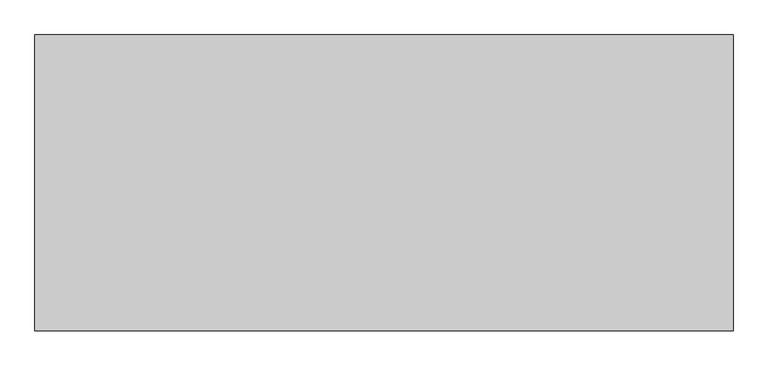
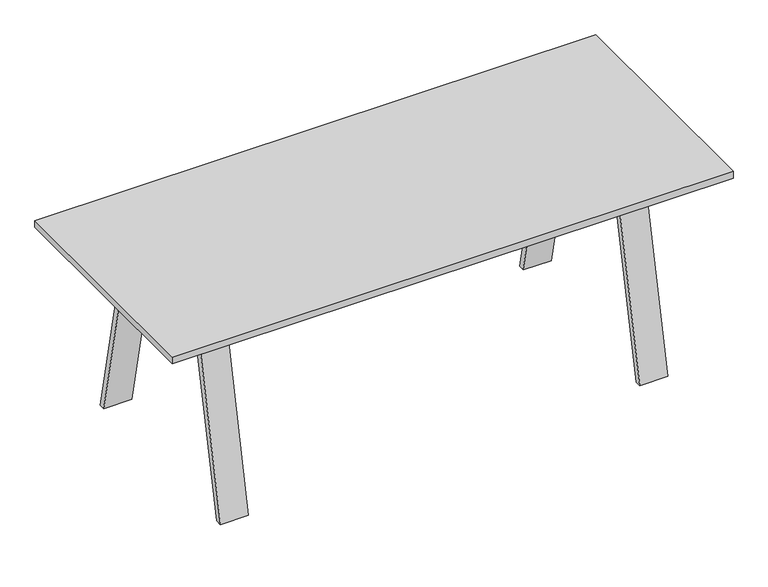
"""IFC4 building model written with IfcOpenShell, lengths in millimetres: furniture geometry."""

from ifc_helpers import new_model, si_unit, frame, origin, place, context, project, spatial, polyline, outline, extrude, source, transform, mapped, element, save


def furniture_2a127dba(model_context):
    return source(origin(), model_context, "Body", "SweptSolid", [
        extrude(outline(polyline([(1003.3, 421.4200592), (1003.3, -429.4799408), (-1003.3, -429.4799408), (-1003.3, 421.4200592), (1003.3, 421.4200592)])), frame((0.0, 0.0, 711.2), z_axis=(0.0, 0.0, 1.0), x_axis=(1.0, 0.0, 0.0)), (0.0, 0.0, 1.0), 25.4),
        extrude(outline(polyline([(720.0800781, 25.9837311), (720.0800781, -34.0436127), (-720.0800781, -34.0436127), (-720.0800781, 25.9837311), (720.0800781, 25.9837311)])), frame((0.0, 0.0, 630.7335938), z_axis=(0.0, 0.0, 1.0), x_axis=(1.0, 0.0, 0.0)), (0.0, 0.0, 1.0), 80.4664062),
        extrude(outline(polyline([(-202.9569134, 711.2), (194.8970319, 711.2), (212.0006945, 630.7335937), (-220.0605761, 630.7335937), (-202.9569134, 711.2)])), frame((720.0800781, 0.0, 0.0), z_axis=(1.0, 0.0, 0.0), x_axis=(0.0, 1.0, 0.0)), (0.0, 0.0, 1.0), 60.0273437),
        extrude(outline(polyline([(-202.9569134, 711.2), (-354.1271401, 0.0), (-376.6186089, 0.0), (-225.4483823, 711.2), (-202.9569134, 711.2)])), frame((700.0875, 0.0, 0.0), z_axis=(1.0, 0.0, 0.0), x_axis=(0.0, 1.0, 0.0)), (0.0, 0.0, 1.0), 100.0125),
        extrude(outline(polyline([(194.8970319, 711.2), (217.3885007, 711.2), (368.5587274, 0.0), (346.0672585, 0.0), (194.8970319, 711.2)])), frame((700.0875, 0.0, 0.0), z_axis=(1.0, 0.0, 0.0), x_axis=(0.0, 1.0, 0.0)), (0.0, 0.0, 1.0), 100.0125),
        extrude(outline(polyline([(-202.9569134, 711.2), (194.8970319, 711.2), (212.0006945, 630.7335938), (-220.0605761, 630.7335938), (-202.9569134, 711.2)])), frame((-780.1074219, 0.0, 0.0), z_axis=(1.0, 0.0, 0.0), x_axis=(0.0, 1.0, 0.0)), (0.0, 0.0, 1.0), 60.0273437),
        extrude(outline(polyline([(-202.9569134, 711.2), (-354.1271401, 0.0), (-376.6186089, 0.0), (-225.4483823, 711.2), (-202.9569134, 711.2)])), frame((-800.1, 0.0, 0.0), z_axis=(1.0, 0.0, 0.0), x_axis=(0.0, 1.0, 0.0)), (0.0, 0.0, 1.0), 100.0125),
        extrude(outline(polyline([(194.8970319, 711.2), (217.3885007, 711.2), (368.5587274, 0.0), (346.0672585, 0.0), (194.8970319, 711.2)])), frame((-800.1, 0.0, 0.0), z_axis=(1.0, 0.0, 0.0), x_axis=(0.0, 1.0, 0.0)), (0.0, 0.0, 1.0), 100.0125),
    ])


if __name__ == "__main__":
    model = new_model("IFC4")
    model_context = context("Model", 3, world=origin())
    ifc_project = project(units=[si_unit("LENGTHUNIT", "METRE", prefix="MILLI")], contexts=[model_context])
    site = spatial("IfcSite", under=ifc_project)
    building = spatial("IfcBuilding", under=site)
    placement = place(None, origin())
    furniture_shape = furniture_2a127dba(model_context)
    element("IfcFurniture", 1, at=placement, inside=building, context=model_context, shape_type="MappedRepresentation", body=[
        mapped(furniture_shape, transform((0.0, 0.0, 0.0), x_axis=(1.0, 0.0, 0.0), y_axis=(0.0, 1.0, 0.0), z_axis=(0.0, 0.0, 1.0))),
    ])
    save(model, "model.ifc")
